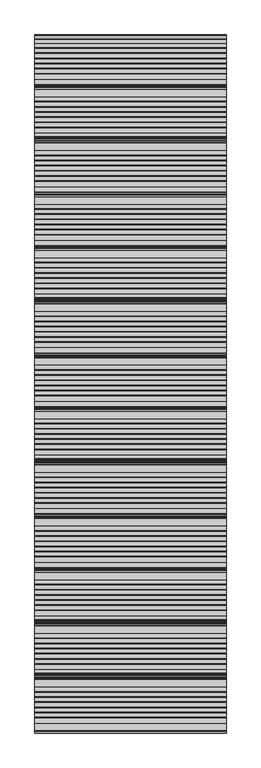
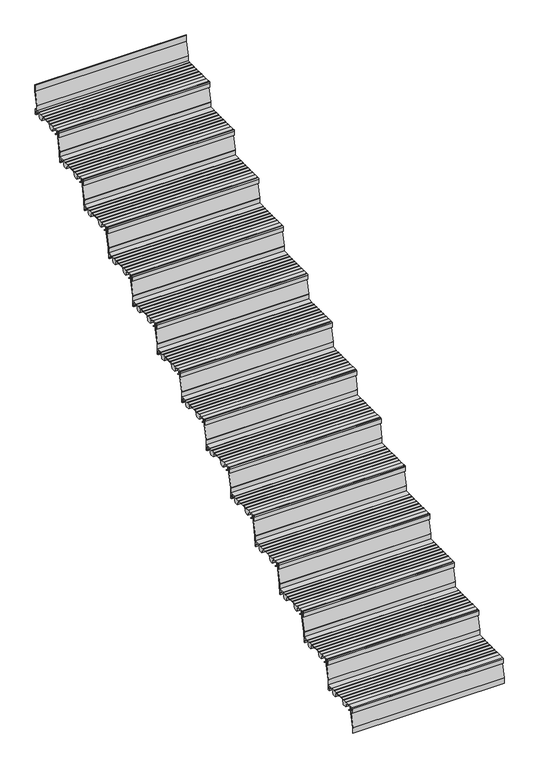
"""IFC4 building model written with IfcOpenShell, lengths in millimetres: stair flight geometry."""

from ifc_helpers import new_model, si_unit, point, frame, frame_2d, origin, place, context, project, spatial, polyline, circle_curve, trimmed, segment, composite_curve, outline, extrude, source, transform, mapped, element, save


def stair_flight_c47d7a32(model_context):
    return source(origin(), model_context, "Body", "SweptSolid", [
        extrude(outline(composite_curve([segment(polyline([(-1371.0228882, 142.2436313), (-1359.2635956, 133.0961128), (-1355.814023, 133.0885102), (-1355.8198754, 130.4330421), (-1360.1774004, 130.4426458), (-1373.4632244, 140.7776485), (-1374.1204224, 160.5772032), (-1390.9403325, 160.5401335), (-1390.9403325, 139.1885558), (-1385.0403648, 139.2015588), (-1385.0403648, 129.9429101), (-1394.2346869, 129.9429101), (-1394.2346869, 160.8235294)]), True, "CONTINUOUS"), segment(trimmed(circle_curve(frame_2d((-1389.2346869, 160.8235294)), 5.0), [point((-1394.2346869, 160.8235294))], [point((-1389.2346869, 165.8235294))], False, "CARTESIAN"), True, "CONTINUOUS"), segment(polyline([(-1389.2346869, 165.8235294), (-1354.5261336, 165.8235294), (-1354.5261336, 164.4415536), (-1324.4999776, 164.3753783), (-1324.4999776, 165.9642153), (-1322.4653981, 165.9642153), (-1322.4653981, 164.0199324), (-1297.6188218, 164.0199324), (-1297.6188218, 165.9642153), (-1295.5842423, 165.9642153), (-1295.5842423, 164.0199324), (-1270.7376659, 164.0199324), (-1270.7376659, 165.9642153), (-1268.7030864, 165.9642153), (-1268.7030864, 164.0199324), (-1243.8565101, 164.0199324), (-1243.8565101, 165.9642153), (-1241.8219306, 165.9642153), (-1241.8219306, 164.0199324), (-1216.9753543, 164.0199324), (-1216.9753543, 165.9642153), (-1214.9407747, 165.9642153), (-1214.9407747, 164.0199324), (-1190.1036061, 164.0199324), (-1190.1036061, 165.9642153), (-1188.0690266, 165.9642153), (-1188.0690266, 164.0199324), (-1163.2211524, 164.0199324), (-1163.2211524, 165.9094525), (-1124.2346869, 165.8235294), (-1124.2346869, 129.9226465), (-1133.429009, 129.9429101), (-1133.429009, 139.2015588), (-1127.5290413, 139.1885558), (-1127.5290413, 160.5401335), (-1165.7505822, 160.6243708), (-1176.4760637, 130.0377824), (-1201.3678437, 130.092642), (-1214.3617912, 161.2983621), (-1285.0325064, 161.4541148), (-1295.9566079, 130.3011082), (-1320.848388, 130.3559677), (-1333.9210866, 161.7508134), (-1354.5261336, 161.7962253), (-1354.5261336, 160.6203875), (-1371.6316085, 160.5826884), (-1371.0228882, 142.2436313)]), True, "CONTINUOUS")], self_intersect=False)), frame((-10251.8300828, 0.0, 0.0), z_axis=(1.0, 0.0, 0.0), x_axis=(0.0, 1.0, 0.0)), (0.0, 0.0, 1.0), 1000.0),
        extrude(outline(composite_curve([segment(polyline([(-1382.7293497, 165.8235294), (-1380.7290994, 165.8235294), (-1380.7290994, 124.3665797)]), True, "CONTINUOUS"), segment(trimmed(circle_curve(frame_2d((-1384.6054869, 124.2822498)), 3.8773048), [point((-1380.7290994, 124.3665797))], [point((-1380.8355039, 123.376314))], False, "CARTESIAN"), True, "CONTINUOUS"), segment(polyline([(-1380.8355039, 123.376314), (-1402.2344365, 34.3262853), (-1402.2344365, -1.6764706), (-1404.2346869, -1.6764706), (-1404.2346869, 34.0170374)]), True, "CONTINUOUS"), segment(trimmed(circle_curve(frame_2d((-1399.6463851, 34.0170374)), 4.5883018), [point((-1404.2346869, 34.0170374))], [point((-1404.1076852, 35.0890984))], False, "CARTESIAN"), True, "CONTINUOUS"), segment(polyline([(-1404.1076852, 35.0890984), (-1382.7293497, 124.0534134), (-1382.7293497, 165.8235294)]), True, "CONTINUOUS")], self_intersect=False)), frame((-10251.8300828, 0.0, 0.0), z_axis=(1.0, 0.0, 0.0), x_axis=(0.0, 1.0, 0.0)), (0.0, 0.0, 1.0), 1000.0),
        extrude(outline(composite_curve([segment(polyline([(-1102.7293497, 331.6470588), (-1100.7290994, 331.6470588), (-1100.7290994, 290.1901091)]), True, "CONTINUOUS"), segment(trimmed(circle_curve(frame_2d((-1104.6054869, 290.1057792)), 3.8773048), [point((-1100.7290994, 290.1901091))], [point((-1100.8355039, 289.1998434))], False, "CARTESIAN"), True, "CONTINUOUS"), segment(polyline([(-1100.8355039, 289.1998434), (-1122.2344365, 200.1498147), (-1122.2344365, 164.1470588), (-1124.2346869, 164.1470588), (-1124.2346869, 199.8405668)]), True, "CONTINUOUS"), segment(trimmed(circle_curve(frame_2d((-1119.6463851, 199.8405668)), 4.5883018), [point((-1124.2346869, 199.8405668))], [point((-1124.1076852, 200.9126278))], False, "CARTESIAN"), True, "CONTINUOUS"), segment(polyline([(-1124.1076852, 200.9126278), (-1102.7293497, 289.8769428), (-1102.7293497, 331.6470588)]), True, "CONTINUOUS")], self_intersect=False)), frame((-10251.8300828, 0.0, 0.0), z_axis=(1.0, 0.0, 0.0), x_axis=(0.0, 1.0, 0.0)), (0.0, 0.0, 1.0), 1000.0),
        extrude(outline(composite_curve([segment(polyline([(-1091.0228882, 308.0671607), (-1079.2635956, 298.9196422), (-1075.814023, 298.9120396), (-1075.8198754, 296.2565715), (-1080.1774004, 296.2661752), (-1093.4632244, 306.6011779), (-1094.1204224, 326.4007327), (-1110.9403325, 326.3636629), (-1110.9403325, 305.0120852), (-1105.0403648, 305.0250882), (-1105.0403648, 295.7664395), (-1114.2346869, 295.7664395), (-1114.2346869, 326.6470588)]), True, "CONTINUOUS"), segment(trimmed(circle_curve(frame_2d((-1109.2346869, 326.6470588)), 5.0), [point((-1114.2346869, 326.6470588))], [point((-1109.2346869, 331.6470588))], False, "CARTESIAN"), True, "CONTINUOUS"), segment(polyline([(-1109.2346869, 331.6470588), (-1074.5261336, 331.6470588), (-1074.5261336, 330.265083), (-1044.4999776, 330.1989077), (-1044.4999776, 331.7877447), (-1042.4653981, 331.7877447), (-1042.4653981, 329.8434618), (-1017.6188218, 329.8434618), (-1017.6188218, 331.7877447), (-1015.5842423, 331.7877447), (-1015.5842423, 329.8434618), (-990.7376659, 329.8434618), (-990.7376659, 331.7877447), (-988.7030864, 331.7877447), (-988.7030864, 329.8434618), (-963.8565101, 329.8434618), (-963.8565101, 331.7877447), (-961.8219306, 331.7877447), (-961.8219306, 329.8434618), (-936.9753543, 329.8434618), (-936.9753543, 331.7877447), (-934.9407747, 331.7877447), (-934.9407747, 329.8434618), (-910.1036061, 329.8434618), (-910.1036061, 331.7877447), (-908.0690266, 331.7877447), (-908.0690266, 329.8434618), (-883.2211524, 329.8434618), (-883.2211524, 331.7329819), (-844.2346869, 331.6470588), (-844.2346869, 295.7461759), (-853.429009, 295.7664395), (-853.429009, 305.0250882), (-847.5290413, 305.0120852), (-847.5290413, 326.3636629), (-885.7505822, 326.4479002), (-896.4760637, 295.8613118), (-921.3678437, 295.9161714), (-934.3617912, 327.1218915), (-1005.0325064, 327.2776442), (-1015.9566079, 296.1246376), (-1040.848388, 296.1794971), (-1053.9210866, 327.5743428), (-1074.5261336, 327.6197548), (-1074.5261336, 326.4439169), (-1091.6316085, 326.4062178), (-1091.0228882, 308.0671607)]), True, "CONTINUOUS")], self_intersect=False)), frame((-10251.8300828, 0.0, 0.0), z_axis=(1.0, 0.0, 0.0), x_axis=(0.0, 1.0, 0.0)), (0.0, 0.0, 1.0), 1000.0),
        extrude(outline(composite_curve([segment(polyline([(-822.7293497, 497.4705882), (-820.7290994, 497.4705882), (-820.7290994, 456.0136385)]), True, "CONTINUOUS"), segment(trimmed(circle_curve(frame_2d((-824.6054869, 455.9293087)), 3.8773048), [point((-820.7290994, 456.0136385))], [point((-820.8355039, 455.0233728))], False, "CARTESIAN"), True, "CONTINUOUS"), segment(polyline([(-820.8355039, 455.0233728), (-842.2344365, 365.9733441), (-842.2344365, 329.9705882), (-844.2346869, 329.9705882), (-844.2346869, 365.6640963)]), True, "CONTINUOUS"), segment(trimmed(circle_curve(frame_2d((-839.6463851, 365.6640963)), 4.5883018), [point((-844.2346869, 365.6640963))], [point((-844.1076852, 366.7361572))], False, "CARTESIAN"), True, "CONTINUOUS"), segment(polyline([(-844.1076852, 366.7361572), (-822.7293497, 455.7004722), (-822.7293497, 497.4705882)]), True, "CONTINUOUS")], self_intersect=False)), frame((-10251.8300828, 0.0, 0.0), z_axis=(1.0, 0.0, 0.0), x_axis=(0.0, 1.0, 0.0)), (0.0, 0.0, 1.0), 1000.0),
        extrude(outline(composite_curve([segment(polyline([(-811.0228882, 473.8906902), (-799.2635956, 464.7431716), (-795.814023, 464.735569), (-795.8198754, 462.080101), (-800.1774004, 462.0897046), (-813.4632244, 472.4247073), (-814.1204224, 492.2242621), (-830.9403325, 492.1871923), (-830.9403325, 470.8356146), (-825.0403648, 470.8486177), (-825.0403648, 461.5899689), (-834.2346869, 461.5899689), (-834.2346869, 492.4705882)]), True, "CONTINUOUS"), segment(trimmed(circle_curve(frame_2d((-829.2346869, 492.4705882)), 5.0), [point((-834.2346869, 492.4705882))], [point((-829.2346869, 497.4705882))], False, "CARTESIAN"), True, "CONTINUOUS"), segment(polyline([(-829.2346869, 497.4705882), (-794.5261336, 497.4705882), (-794.5261336, 496.0886124), (-764.4999776, 496.0224371), (-764.4999776, 497.6112741), (-762.4653981, 497.6112741), (-762.4653981, 495.6669912), (-737.6188218, 495.6669912), (-737.6188218, 497.6112741), (-735.5842423, 497.6112741), (-735.5842423, 495.6669912), (-710.7376659, 495.6669912), (-710.7376659, 497.6112741), (-708.7030864, 497.6112741), (-708.7030864, 495.6669912), (-683.8565101, 495.6669912), (-683.8565101, 497.6112741), (-681.8219306, 497.6112741), (-681.8219306, 495.6669912), (-656.9753543, 495.6669912), (-656.9753543, 497.6112741), (-654.9407747, 497.6112741), (-654.9407747, 495.6669912), (-630.1036061, 495.6669912), (-630.1036061, 497.6112741), (-628.0690266, 497.6112741), (-628.0690266, 495.6669912), (-603.2211524, 495.6669912), (-603.2211524, 497.5565113), (-564.2346869, 497.4705882), (-564.2346869, 461.5697053), (-573.429009, 461.5899689), (-573.429009, 470.8486177), (-567.5290413, 470.8356146), (-567.5290413, 492.1871923), (-605.7505822, 492.2714296), (-616.4760637, 461.6848412), (-641.3678437, 461.7397008), (-654.3617912, 492.9454209), (-725.0325064, 493.1011736), (-735.9566079, 461.948167), (-760.848388, 462.0030265), (-773.9210866, 493.3978723), (-794.5261336, 493.4432842), (-794.5261336, 492.2674463), (-811.6316085, 492.2297472), (-811.0228882, 473.8906902)]), True, "CONTINUOUS")], self_intersect=False)), frame((-10251.8300828, 0.0, 0.0), z_axis=(1.0, 0.0, 0.0), x_axis=(0.0, 1.0, 0.0)), (0.0, 0.0, 1.0), 1000.0),
        extrude(outline(composite_curve([segment(polyline([(-542.7293497, 663.2941176), (-540.7290994, 663.2941176), (-540.7290994, 621.8371679)]), True, "CONTINUOUS"), segment(trimmed(circle_curve(frame_2d((-544.6054869, 621.7528381)), 3.8773048), [point((-540.7290994, 621.8371679))], [point((-540.8355039, 620.8469022))], False, "CARTESIAN"), True, "CONTINUOUS"), segment(polyline([(-540.8355039, 620.8469022), (-562.2344365, 531.7968735), (-562.2344365, 495.7941176), (-564.2346869, 495.7941176), (-564.2346869, 531.4876257)]), True, "CONTINUOUS"), segment(trimmed(circle_curve(frame_2d((-559.6463851, 531.4876257)), 4.5883018), [point((-564.2346869, 531.4876257))], [point((-564.1076852, 532.5596866))], False, "CARTESIAN"), True, "CONTINUOUS"), segment(polyline([(-564.1076852, 532.5596866), (-542.7293497, 621.5240017), (-542.7293497, 663.2941176)]), True, "CONTINUOUS")], self_intersect=False)), frame((-10251.8300828, 0.0, 0.0), z_axis=(1.0, 0.0, 0.0), x_axis=(0.0, 1.0, 0.0)), (0.0, 0.0, 1.0), 1000.0),
        extrude(outline(composite_curve([segment(polyline([(-531.0228882, 639.7142196), (-519.2635956, 630.566701), (-515.814023, 630.5590984), (-515.8198754, 627.9036304), (-520.1774004, 627.913234), (-533.4632244, 638.2482367), (-534.1204224, 658.0477915), (-550.9403325, 658.0107217), (-550.9403325, 636.659144), (-545.0403648, 636.6721471), (-545.0403648, 627.4134983), (-554.2346869, 627.4134983), (-554.2346869, 658.2941176)]), True, "CONTINUOUS"), segment(trimmed(circle_curve(frame_2d((-549.2346869, 658.2941176)), 5.0), [point((-554.2346869, 658.2941176))], [point((-549.2346869, 663.2941176))], False, "CARTESIAN"), True, "CONTINUOUS"), segment(polyline([(-549.2346869, 663.2941176), (-514.5261336, 663.2941176), (-514.5261336, 661.9121418), (-484.4999776, 661.8459665), (-484.4999776, 663.4348035), (-482.4653981, 663.4348035), (-482.4653981, 661.4905206), (-457.6188218, 661.4905206), (-457.6188218, 663.4348035), (-455.5842423, 663.4348035), (-455.5842423, 661.4905206), (-430.7376659, 661.4905206), (-430.7376659, 663.4348035), (-428.7030864, 663.4348035), (-428.7030864, 661.4905206), (-403.8565101, 661.4905206), (-403.8565101, 663.4348035), (-401.8219306, 663.4348035), (-401.8219306, 661.4905206), (-376.9753543, 661.4905206), (-376.9753543, 663.4348035), (-374.9407747, 663.4348035), (-374.9407747, 661.4905206), (-350.1036061, 661.4905206), (-350.1036061, 663.4348035), (-348.0690266, 663.4348035), (-348.0690266, 661.4905206), (-323.2211524, 661.4905206), (-323.2211524, 663.3800408), (-284.2346869, 663.2941176), (-284.2346869, 627.3932348), (-293.429009, 627.4134983), (-293.429009, 636.6721471), (-287.5290413, 636.659144), (-287.5290413, 658.0107217), (-325.7505822, 658.094959), (-336.4760637, 627.5083707), (-361.3678437, 627.5632302), (-374.3617912, 658.7689503), (-445.0325064, 658.9247031), (-455.9566079, 627.7716964), (-480.848388, 627.8265559), (-493.9210866, 659.2214017), (-514.5261336, 659.2668136), (-514.5261336, 658.0909758), (-531.6316085, 658.0532766), (-531.0228882, 639.7142196)]), True, "CONTINUOUS")], self_intersect=False)), frame((-10251.8300828, 0.0, 0.0), z_axis=(1.0, 0.0, 0.0), x_axis=(0.0, 1.0, 0.0)), (0.0, 0.0, 1.0), 1000.0),
        extrude(outline(composite_curve([segment(polyline([(-262.7293497, 829.1176471), (-260.7290994, 829.1176471), (-260.7290994, 787.6606973)]), True, "CONTINUOUS"), segment(trimmed(circle_curve(frame_2d((-264.6054869, 787.5763675)), 3.8773048), [point((-260.7290994, 787.6606973))], [point((-260.8355039, 786.6704316))], False, "CARTESIAN"), True, "CONTINUOUS"), segment(polyline([(-260.8355039, 786.6704316), (-282.2344365, 697.620403), (-282.2344365, 661.6176471), (-284.2346869, 661.6176471), (-284.2346869, 697.3111551)]), True, "CONTINUOUS"), segment(trimmed(circle_curve(frame_2d((-279.6463851, 697.3111551)), 4.5883018), [point((-284.2346869, 697.3111551))], [point((-284.1076852, 698.3832161))], False, "CARTESIAN"), True, "CONTINUOUS"), segment(polyline([(-284.1076852, 698.3832161), (-262.7293497, 787.3475311), (-262.7293497, 829.1176471)]), True, "CONTINUOUS")], self_intersect=False)), frame((-10251.8300828, 0.0, 0.0), z_axis=(1.0, 0.0, 0.0), x_axis=(0.0, 1.0, 0.0)), (0.0, 0.0, 1.0), 1000.0),
        extrude(outline(composite_curve([segment(polyline([(-251.0228882, 805.537749), (-239.2635956, 796.3902304), (-235.814023, 796.3826279), (-235.8198754, 793.7271598), (-240.1774004, 793.7367634), (-253.4632244, 804.0717661), (-254.1204224, 823.8713209), (-270.9403325, 823.8342511), (-270.9403325, 802.4826734), (-265.0403648, 802.4956765), (-265.0403648, 793.2370277), (-274.2346869, 793.2370277), (-274.2346869, 824.1176471)]), True, "CONTINUOUS"), segment(trimmed(circle_curve(frame_2d((-269.2346869, 824.1176471)), 5.0), [point((-274.2346869, 824.1176471))], [point((-269.2346869, 829.1176471))], False, "CARTESIAN"), True, "CONTINUOUS"), segment(polyline([(-269.2346869, 829.1176471), (-234.5261336, 829.1176471), (-234.5261336, 827.7356712), (-204.4999776, 827.6694959), (-204.4999776, 829.2583329), (-202.4653981, 829.2583329), (-202.4653981, 827.31405), (-177.6188218, 827.31405), (-177.6188218, 829.2583329), (-175.5842423, 829.2583329), (-175.5842423, 827.31405), (-150.7376659, 827.31405), (-150.7376659, 829.2583329), (-148.7030864, 829.2583329), (-148.7030864, 827.31405), (-123.8565101, 827.31405), (-123.8565101, 829.2583329), (-121.8219306, 829.2583329), (-121.8219306, 827.31405), (-96.9753543, 827.31405), (-96.9753543, 829.2583329), (-94.9407747, 829.2583329), (-94.9407747, 827.31405), (-70.1036061, 827.31405), (-70.1036061, 829.2583329), (-68.0690266, 829.2583329), (-68.0690266, 827.31405), (-43.2211524, 827.31405), (-43.2211524, 829.2035702), (-4.2346869, 829.1176471), (-4.2346869, 793.2167642), (-13.429009, 793.2370277), (-13.429009, 802.4956765), (-7.5290413, 802.4826734), (-7.5290413, 823.8342511), (-45.7505822, 823.9184884), (-56.4760637, 793.3319001), (-81.3678437, 793.3867596), (-94.3617912, 824.5924798), (-165.0325064, 824.7482325), (-175.9566079, 793.5952258), (-200.848388, 793.6500854), (-213.9210866, 825.0449311), (-234.5261336, 825.090343), (-234.5261336, 823.9145052), (-251.6316085, 823.876806), (-251.0228882, 805.537749)]), True, "CONTINUOUS")], self_intersect=False)), frame((-10251.8300828, 0.0, 0.0), z_axis=(1.0, 0.0, 0.0), x_axis=(0.0, 1.0, 0.0)), (0.0, 0.0, 1.0), 1000.0),
        extrude(outline(composite_curve([segment(polyline([(17.2706503, 994.9411765), (19.2709006, 994.9411765), (19.2709006, 953.4842267)]), True, "CONTINUOUS"), segment(trimmed(circle_curve(frame_2d((15.3945131, 953.3998969)), 3.8773048), [point((19.2709006, 953.4842267))], [point((19.1644961, 952.493961))], False, "CARTESIAN"), True, "CONTINUOUS"), segment(polyline([(19.1644961, 952.493961), (-2.2344365, 863.4439324), (-2.2344365, 827.4411765), (-4.2346869, 827.4411765), (-4.2346869, 863.1346845)]), True, "CONTINUOUS"), segment(trimmed(circle_curve(frame_2d((0.3536149, 863.1346845)), 4.5883018), [point((-4.2346869, 863.1346845))], [point((-4.1076852, 864.2067455))], False, "CARTESIAN"), True, "CONTINUOUS"), segment(polyline([(-4.1076852, 864.2067455), (17.2706503, 953.1710605), (17.2706503, 994.9411765)]), True, "CONTINUOUS")], self_intersect=False)), frame((-10251.8300828, 0.0, 0.0), z_axis=(1.0, 0.0, 0.0), x_axis=(0.0, 1.0, 0.0)), (0.0, 0.0, 1.0), 1000.0),
        extrude(outline(composite_curve([segment(polyline([(28.9771118, 971.3612784), (40.7364044, 962.2137599), (44.185977, 962.2061573), (44.1801246, 959.5506892), (39.8225996, 959.5602928), (26.5367756, 969.8952956), (25.8795776, 989.6948503), (9.0596675, 989.6577805), (9.0596675, 968.3062028), (14.9596352, 968.3192059), (14.9596352, 959.0605571), (5.7653131, 959.0605571), (5.7653131, 989.9411765)]), True, "CONTINUOUS"), segment(trimmed(circle_curve(frame_2d((10.7653131, 989.9411765)), 5.0), [point((5.7653131, 989.9411765))], [point((10.7653131, 994.9411765))], False, "CARTESIAN"), True, "CONTINUOUS"), segment(polyline([(10.7653131, 994.9411765), (45.4738664, 994.9411765), (45.4738664, 993.5592006), (75.5000224, 993.4930253), (75.5000224, 995.0818624), (77.5346019, 995.0818624), (77.5346019, 993.1375794), (102.3811782, 993.1375794), (102.3811782, 995.0818624), (104.4157577, 995.0818624), (104.4157577, 993.1375794), (129.2623341, 993.1375794), (129.2623341, 995.0818624), (131.2969136, 995.0818624), (131.2969136, 993.1375794), (156.1434899, 993.1375794), (156.1434899, 995.0818624), (158.1780694, 995.0818624), (158.1780694, 993.1375794), (183.0246457, 993.1375794), (183.0246457, 995.0818624), (185.0592253, 995.0818624), (185.0592253, 993.1375794), (209.8963939, 993.1375794), (209.8963939, 995.0818624), (211.9309734, 995.0818624), (211.9309734, 993.1375794), (236.7788476, 993.1375794), (236.7788476, 995.0270996), (275.7653131, 994.9411765), (275.7653131, 959.0402936), (266.570991, 959.0605571), (266.570991, 968.3192059), (272.4709587, 968.3062028), (272.4709587, 989.6577805), (234.2494178, 989.7420178), (223.5239363, 959.1554295), (198.6321563, 959.210289), (185.6382088, 990.4160092), (114.9674936, 990.5717619), (104.0433921, 959.4187552), (79.151612, 959.4736148), (66.0789134, 990.8684605), (45.4738664, 990.9138724), (45.4738664, 989.7380346), (28.3683915, 989.7003355), (28.9771118, 971.3612784)]), True, "CONTINUOUS")], self_intersect=False)), frame((-10251.8300828, 0.0, 0.0), z_axis=(1.0, 0.0, 0.0), x_axis=(0.0, 1.0, 0.0)), (0.0, 0.0, 1.0), 1000.0),
        extrude(outline(composite_curve([segment(polyline([(297.2706503, 1160.7647059), (299.2709006, 1160.7647059), (299.2709006, 1119.3077562)]), True, "CONTINUOUS"), segment(trimmed(circle_curve(frame_2d((295.3945131, 1119.2234263)), 3.8773048), [point((299.2709006, 1119.3077562))], [point((299.1644961, 1118.3174904))], False, "CARTESIAN"), True, "CONTINUOUS"), segment(polyline([(299.1644961, 1118.3174904), (277.7655635, 1029.2674618), (277.7655635, 993.2647059), (275.7653131, 993.2647059), (275.7653131, 1028.9582139)]), True, "CONTINUOUS"), segment(trimmed(circle_curve(frame_2d((280.3536149, 1028.9582139)), 4.5883018), [point((275.7653131, 1028.9582139))], [point((275.8923148, 1030.0302749))], False, "CARTESIAN"), True, "CONTINUOUS"), segment(polyline([(275.8923148, 1030.0302749), (297.2706503, 1118.9945899), (297.2706503, 1160.7647059)]), True, "CONTINUOUS")], self_intersect=False)), frame((-10251.8300828, 0.0, 0.0), z_axis=(1.0, 0.0, 0.0), x_axis=(0.0, 1.0, 0.0)), (0.0, 0.0, 1.0), 1000.0),
        extrude(outline(composite_curve([segment(polyline([(308.9771118, 1137.1848078), (320.7364044, 1128.0372893), (324.185977, 1128.0296867), (324.1801246, 1125.3742186), (319.8225996, 1125.3838222), (306.5367756, 1135.718825), (305.8795776, 1155.5183797), (289.0596675, 1155.48131), (289.0596675, 1134.1297322), (294.9596352, 1134.1427353), (294.9596352, 1124.8840866), (285.7653131, 1124.8840866), (285.7653131, 1155.7647059)]), True, "CONTINUOUS"), segment(trimmed(circle_curve(frame_2d((290.7653131, 1155.7647059)), 5.0), [point((285.7653131, 1155.7647059))], [point((290.7653131, 1160.7647059))], False, "CARTESIAN"), True, "CONTINUOUS"), segment(polyline([(290.7653131, 1160.7647059), (325.4738664, 1160.7647059), (325.4738664, 1159.38273), (355.5000224, 1159.3165547), (355.5000224, 1160.9053918), (357.5346019, 1160.9053918), (357.5346019, 1158.9611088), (382.3811782, 1158.9611088), (382.3811782, 1160.9053918), (384.4157577, 1160.9053918), (384.4157577, 1158.9611088), (409.2623341, 1158.9611088), (409.2623341, 1160.9053918), (411.2969136, 1160.9053918), (411.2969136, 1158.9611088), (436.1434899, 1158.9611088), (436.1434899, 1160.9053918), (438.1780694, 1160.9053918), (438.1780694, 1158.9611088), (463.0246457, 1158.9611088), (463.0246457, 1160.9053918), (465.0592253, 1160.9053918), (465.0592253, 1158.9611088), (489.8963939, 1158.9611088), (489.8963939, 1160.9053918), (491.9309734, 1160.9053918), (491.9309734, 1158.9611088), (516.7788476, 1158.9611088), (516.7788476, 1160.850629), (555.7653131, 1160.7647059), (555.7653131, 1124.863823), (546.570991, 1124.8840866), (546.570991, 1134.1427353), (552.4709587, 1134.1297322), (552.4709587, 1155.48131), (514.2494178, 1155.5655472), (503.5239363, 1124.9789589), (478.6321563, 1125.0338184), (465.6382088, 1156.2395386), (394.9674936, 1156.3952913), (384.0433921, 1125.2422846), (359.151612, 1125.2971442), (346.0789134, 1156.6919899), (325.4738664, 1156.7374018), (325.4738664, 1155.561564), (308.3683915, 1155.5238649), (308.9771118, 1137.1848078)]), True, "CONTINUOUS")], self_intersect=False)), frame((-10251.8300828, 0.0, 0.0), z_axis=(1.0, 0.0, 0.0), x_axis=(0.0, 1.0, 0.0)), (0.0, 0.0, 1.0), 1000.0),
        extrude(outline(composite_curve([segment(polyline([(577.2706503, 1326.5882353), (579.2709006, 1326.5882353), (579.2709006, 1285.1312856)]), True, "CONTINUOUS"), segment(trimmed(circle_curve(frame_2d((575.3945131, 1285.0469557)), 3.8773048), [point((579.2709006, 1285.1312856))], [point((579.1644961, 1284.1410199))], False, "CARTESIAN"), True, "CONTINUOUS"), segment(polyline([(579.1644961, 1284.1410199), (557.7655635, 1195.0909912), (557.7655635, 1159.0882353), (555.7653131, 1159.0882353), (555.7653131, 1194.7817433)]), True, "CONTINUOUS"), segment(trimmed(circle_curve(frame_2d((560.3536149, 1194.7817433)), 4.5883018), [point((555.7653131, 1194.7817433))], [point((555.8923148, 1195.8538043))], False, "CARTESIAN"), True, "CONTINUOUS"), segment(polyline([(555.8923148, 1195.8538043), (577.2706503, 1284.8181193), (577.2706503, 1326.5882353)]), True, "CONTINUOUS")], self_intersect=False)), frame((-10251.8300828, 0.0, 0.0), z_axis=(1.0, 0.0, 0.0), x_axis=(0.0, 1.0, 0.0)), (0.0, 0.0, 1.0), 1000.0),
        extrude(outline(composite_curve([segment(polyline([(588.9771118, 1303.0083372), (600.7364044, 1293.8608187), (604.185977, 1293.8532161), (604.1801246, 1291.197748), (599.8225996, 1291.2073517), (586.5367756, 1301.5423544), (585.8795776, 1321.3419091), (569.0596675, 1321.3048394), (569.0596675, 1299.9532616), (574.9596352, 1299.9662647), (574.9596352, 1290.707616), (565.7653131, 1290.707616), (565.7653131, 1321.5882353)]), True, "CONTINUOUS"), segment(trimmed(circle_curve(frame_2d((570.7653131, 1321.5882353)), 5.0), [point((565.7653131, 1321.5882353))], [point((570.7653131, 1326.5882353))], False, "CARTESIAN"), True, "CONTINUOUS"), segment(polyline([(570.7653131, 1326.5882353), (605.4738664, 1326.5882353), (605.4738664, 1325.2062594), (635.5000224, 1325.1400841), (635.5000224, 1326.7289212), (637.5346019, 1326.7289212), (637.5346019, 1324.7846383), (662.3811782, 1324.7846383), (662.3811782, 1326.7289212), (664.4157577, 1326.7289212), (664.4157577, 1324.7846383), (689.2623341, 1324.7846383), (689.2623341, 1326.7289212), (691.2969136, 1326.7289212), (691.2969136, 1324.7846383), (716.1434899, 1324.7846383), (716.1434899, 1326.7289212), (718.1780694, 1326.7289212), (718.1780694, 1324.7846383), (743.0246457, 1324.7846383), (743.0246457, 1326.7289212), (745.0592253, 1326.7289212), (745.0592253, 1324.7846383), (769.8963939, 1324.7846383), (769.8963939, 1326.7289212), (771.9309734, 1326.7289212), (771.9309734, 1324.7846383), (796.7788476, 1324.7846383), (796.7788476, 1326.6741584), (835.7653131, 1326.5882353), (835.7653131, 1290.6873524), (826.570991, 1290.707616), (826.570991, 1299.9662647), (832.4709587, 1299.9532616), (832.4709587, 1321.3048394), (794.2494178, 1321.3890766), (783.5239363, 1290.8024883), (758.6321563, 1290.8573478), (745.6382088, 1322.063068), (674.9674936, 1322.2188207), (664.0433921, 1291.0658141), (639.151612, 1291.1206736), (626.0789134, 1322.5155193), (605.4738664, 1322.5609312), (605.4738664, 1321.3850934), (588.3683915, 1321.3473943), (588.9771118, 1303.0083372)]), True, "CONTINUOUS")], self_intersect=False)), frame((-10251.8300828, 0.0, 0.0), z_axis=(1.0, 0.0, 0.0), x_axis=(0.0, 1.0, 0.0)), (0.0, 0.0, 1.0), 1000.0),
        extrude(outline(composite_curve([segment(polyline([(857.2706503, 1492.4117647), (859.2709006, 1492.4117647), (859.2709006, 1450.954815)]), True, "CONTINUOUS"), segment(trimmed(circle_curve(frame_2d((855.3945131, 1450.8704851)), 3.8773048), [point((859.2709006, 1450.954815))], [point((859.1644961, 1449.9645493))], False, "CARTESIAN"), True, "CONTINUOUS"), segment(polyline([(859.1644961, 1449.9645493), (837.7655635, 1360.9145206), (837.7655635, 1324.9117647), (835.7653131, 1324.9117647), (835.7653131, 1360.6052727)]), True, "CONTINUOUS"), segment(trimmed(circle_curve(frame_2d((840.3536149, 1360.6052727)), 4.5883018), [point((835.7653131, 1360.6052727))], [point((835.8923148, 1361.6773337))], False, "CARTESIAN"), True, "CONTINUOUS"), segment(polyline([(835.8923148, 1361.6773337), (857.2706503, 1450.6416487), (857.2706503, 1492.4117647)]), True, "CONTINUOUS")], self_intersect=False)), frame((-10251.8300828, 0.0, 0.0), z_axis=(1.0, 0.0, 0.0), x_axis=(0.0, 1.0, 0.0)), (0.0, 0.0, 1.0), 1000.0),
        extrude(outline(composite_curve([segment(polyline([(868.9771118, 1468.8318666), (880.7364044, 1459.6843481), (884.185977, 1459.6767455), (884.1801246, 1457.0212774), (879.8225996, 1457.0308811), (866.5367756, 1467.3658838), (865.8795776, 1487.1654385), (849.0596675, 1487.1283688), (849.0596675, 1465.7767911), (854.9596352, 1465.7897941), (854.9596352, 1456.5311454), (845.7653131, 1456.5311454), (845.7653131, 1487.4117647)]), True, "CONTINUOUS"), segment(trimmed(circle_curve(frame_2d((850.7653131, 1487.4117647)), 5.0), [point((845.7653131, 1487.4117647))], [point((850.7653131, 1492.4117647))], False, "CARTESIAN"), True, "CONTINUOUS"), segment(polyline([(850.7653131, 1492.4117647), (885.4738664, 1492.4117647), (885.4738664, 1491.0297889), (915.5000224, 1490.9636136), (915.5000224, 1492.5524506), (917.5346019, 1492.5524506), (917.5346019, 1490.6081677), (942.3811782, 1490.6081677), (942.3811782, 1492.5524506), (944.4157577, 1492.5524506), (944.4157577, 1490.6081677), (969.2623341, 1490.6081677), (969.2623341, 1492.5524506), (971.2969136, 1492.5524506), (971.2969136, 1490.6081677), (996.1434899, 1490.6081677), (996.1434899, 1492.5524506), (998.1780694, 1492.5524506), (998.1780694, 1490.6081677), (1023.0246457, 1490.6081677), (1023.0246457, 1492.5524506), (1025.0592253, 1492.5524506), (1025.0592253, 1490.6081677), (1049.8963939, 1490.6081677), (1049.8963939, 1492.5524506), (1051.9309734, 1492.5524506), (1051.9309734, 1490.6081677), (1076.7788476, 1490.6081677), (1076.7788476, 1492.4976878), (1115.7653131, 1492.4117647), (1115.7653131, 1456.5108818), (1106.570991, 1456.5311454), (1106.570991, 1465.7897941), (1112.4709587, 1465.7767911), (1112.4709587, 1487.1283688), (1074.2494178, 1487.2126061), (1063.5239363, 1456.6260177), (1038.6321563, 1456.6808772), (1025.6382088, 1487.8865974), (954.9674936, 1488.0423501), (944.0433921, 1456.8893435), (919.151612, 1456.944203), (906.0789134, 1488.3390487), (885.4738664, 1488.3844606), (885.4738664, 1487.2086228), (868.3683915, 1487.1709237), (868.9771118, 1468.8318666)]), True, "CONTINUOUS")], self_intersect=False)), frame((-10251.8300828, 0.0, 0.0), z_axis=(1.0, 0.0, 0.0), x_axis=(0.0, 1.0, 0.0)), (0.0, 0.0, 1.0), 1000.0),
        extrude(outline(composite_curve([segment(polyline([(1137.2706503, 1658.2352941), (1139.2709006, 1658.2352941), (1139.2709006, 1616.7783444)]), True, "CONTINUOUS"), segment(trimmed(circle_curve(frame_2d((1135.3945131, 1616.6940145)), 3.8773048), [point((1139.2709006, 1616.7783444))], [point((1139.1644961, 1615.7880787))], False, "CARTESIAN"), True, "CONTINUOUS"), segment(polyline([(1139.1644961, 1615.7880787), (1117.7655635, 1526.73805), (1117.7655635, 1490.7352941), (1115.7653131, 1490.7352941), (1115.7653131, 1526.4288021)]), True, "CONTINUOUS"), segment(trimmed(circle_curve(frame_2d((1120.3536149, 1526.4288021)), 4.5883018), [point((1115.7653131, 1526.4288021))], [point((1115.8923148, 1527.5008631))], False, "CARTESIAN"), True, "CONTINUOUS"), segment(polyline([(1115.8923148, 1527.5008631), (1137.2706503, 1616.4651781), (1137.2706503, 1658.2352941)]), True, "CONTINUOUS")], self_intersect=False)), frame((-10251.8300828, 0.0, 0.0), z_axis=(1.0, 0.0, 0.0), x_axis=(0.0, 1.0, 0.0)), (0.0, 0.0, 1.0), 1000.0),
        extrude(outline(composite_curve([segment(polyline([(1148.9771118, 1634.655396), (1160.7364044, 1625.5078775), (1164.185977, 1625.5002749), (1164.1801246, 1622.8448068), (1159.8225996, 1622.8544105), (1146.5367756, 1633.1894132), (1145.8795776, 1652.988968), (1129.0596675, 1652.9518982), (1129.0596675, 1631.6003205), (1134.9596352, 1631.6133235), (1134.9596352, 1622.3546748), (1125.7653131, 1622.3546748), (1125.7653131, 1653.2352941)]), True, "CONTINUOUS"), segment(trimmed(circle_curve(frame_2d((1130.7653131, 1653.2352941)), 5.0), [point((1125.7653131, 1653.2352941))], [point((1130.7653131, 1658.2352941))], False, "CARTESIAN"), True, "CONTINUOUS"), segment(polyline([(1130.7653131, 1658.2352941), (1165.4738664, 1658.2352941), (1165.4738664, 1656.8533183), (1195.5000224, 1656.787143), (1195.5000224, 1658.37598), (1197.5346019, 1658.37598), (1197.5346019, 1656.4316971), (1222.3811782, 1656.4316971), (1222.3811782, 1658.37598), (1224.4157577, 1658.37598), (1224.4157577, 1656.4316971), (1249.2623341, 1656.4316971), (1249.2623341, 1658.37598), (1251.2969136, 1658.37598), (1251.2969136, 1656.4316971), (1276.1434899, 1656.4316971), (1276.1434899, 1658.37598), (1278.1780694, 1658.37598), (1278.1780694, 1656.4316971), (1303.0246457, 1656.4316971), (1303.0246457, 1658.37598), (1305.0592253, 1658.37598), (1305.0592253, 1656.4316971), (1329.8963939, 1656.4316971), (1329.8963939, 1658.37598), (1331.9309734, 1658.37598), (1331.9309734, 1656.4316971), (1356.7788476, 1656.4316971), (1356.7788476, 1658.3212172), (1395.7653131, 1658.2352941), (1395.7653131, 1622.3344112), (1386.570991, 1622.3546748), (1386.570991, 1631.6133235), (1392.4709587, 1631.6003205), (1392.4709587, 1652.9518982), (1354.2494178, 1653.0361355), (1343.5239363, 1622.4495471), (1318.6321563, 1622.5044067), (1305.6382088, 1653.7101268), (1234.9674936, 1653.8658795), (1224.0433921, 1622.7128729), (1199.151612, 1622.7677324), (1186.0789134, 1654.1625781), (1165.4738664, 1654.2079901), (1165.4738664, 1653.0321522), (1148.3683915, 1652.9944531), (1148.9771118, 1634.655396)]), True, "CONTINUOUS")], self_intersect=False)), frame((-10251.8300828, 0.0, 0.0), z_axis=(1.0, 0.0, 0.0), x_axis=(0.0, 1.0, 0.0)), (0.0, 0.0, 1.0), 1000.0),
        extrude(outline(composite_curve([segment(polyline([(1417.2706503, 1824.0588235), (1419.2709006, 1824.0588235), (1419.2709006, 1782.6018738)]), True, "CONTINUOUS"), segment(trimmed(circle_curve(frame_2d((1415.3945131, 1782.5175439)), 3.8773048), [point((1419.2709006, 1782.6018738))], [point((1419.1644961, 1781.6116081))], False, "CARTESIAN"), True, "CONTINUOUS"), segment(polyline([(1419.1644961, 1781.6116081), (1397.7655635, 1692.5615794), (1397.7655635, 1656.5588235), (1395.7653131, 1656.5588235), (1395.7653131, 1692.2523315)]), True, "CONTINUOUS"), segment(trimmed(circle_curve(frame_2d((1400.3536149, 1692.2523315)), 4.5883018), [point((1395.7653131, 1692.2523315))], [point((1395.8923148, 1693.3243925))], False, "CARTESIAN"), True, "CONTINUOUS"), segment(polyline([(1395.8923148, 1693.3243925), (1417.2706503, 1782.2887075), (1417.2706503, 1824.0588235)]), True, "CONTINUOUS")], self_intersect=False)), frame((-10251.8300828, 0.0, 0.0), z_axis=(1.0, 0.0, 0.0), x_axis=(0.0, 1.0, 0.0)), (0.0, 0.0, 1.0), 1000.0),
        extrude(outline(composite_curve([segment(polyline([(1428.9771118, 1800.4789255), (1440.7364044, 1791.3314069), (1444.185977, 1791.3238043), (1444.1801246, 1788.6683362), (1439.8225996, 1788.6779399), (1426.5367756, 1799.0129426), (1425.8795776, 1818.8124974), (1409.0596675, 1818.7754276), (1409.0596675, 1797.4238499), (1414.9596352, 1797.436853), (1414.9596352, 1788.1782042), (1405.7653131, 1788.1782042), (1405.7653131, 1819.0588235)]), True, "CONTINUOUS"), segment(trimmed(circle_curve(frame_2d((1410.7653131, 1819.0588235)), 5.0), [point((1405.7653131, 1819.0588235))], [point((1410.7653131, 1824.0588235))], False, "CARTESIAN"), True, "CONTINUOUS"), segment(polyline([(1410.7653131, 1824.0588235), (1445.4738664, 1824.0588235), (1445.4738664, 1822.6768477), (1475.5000224, 1822.6106724), (1475.5000224, 1824.1995094), (1477.5346019, 1824.1995094), (1477.5346019, 1822.2552265), (1502.3811782, 1822.2552265), (1502.3811782, 1824.1995094), (1504.4157577, 1824.1995094), (1504.4157577, 1822.2552265), (1529.2623341, 1822.2552265), (1529.2623341, 1824.1995094), (1531.2969136, 1824.1995094), (1531.2969136, 1822.2552265), (1556.1434899, 1822.2552265), (1556.1434899, 1824.1995094), (1558.1780694, 1824.1995094), (1558.1780694, 1822.2552265), (1583.0246457, 1822.2552265), (1583.0246457, 1824.1995094), (1585.0592253, 1824.1995094), (1585.0592253, 1822.2552265), (1609.8963939, 1822.2552265), (1609.8963939, 1824.1995094), (1611.9309734, 1824.1995094), (1611.9309734, 1822.2552265), (1636.7788476, 1822.2552265), (1636.7788476, 1824.1447466), (1675.7653131, 1824.0588235), (1675.7653131, 1788.1579406), (1666.570991, 1788.1782042), (1666.570991, 1797.436853), (1672.4709587, 1797.4238499), (1672.4709587, 1818.7754276), (1634.2494178, 1818.8596649), (1623.5239363, 1788.2730765), (1598.6321563, 1788.3279361), (1585.6382088, 1819.5336562), (1514.9674936, 1819.6894089), (1504.0433921, 1788.5364023), (1479.151612, 1788.5912618), (1466.0789134, 1819.9861076), (1445.4738664, 1820.0315195), (1445.4738664, 1818.8556816), (1428.3683915, 1818.8179825), (1428.9771118, 1800.4789255)]), True, "CONTINUOUS")], self_intersect=False)), frame((-10251.8300828, 0.0, 0.0), z_axis=(1.0, 0.0, 0.0), x_axis=(0.0, 1.0, 0.0)), (0.0, 0.0, 1.0), 1000.0),
        extrude(outline(composite_curve([segment(polyline([(1697.2706503, 1989.8823529), (1699.2709006, 1989.8823529), (1699.2709006, 1948.4254032)]), True, "CONTINUOUS"), segment(trimmed(circle_curve(frame_2d((1695.3945131, 1948.3410734)), 3.8773048), [point((1699.2709006, 1948.4254032))], [point((1699.1644961, 1947.4351375))], False, "CARTESIAN"), True, "CONTINUOUS"), segment(polyline([(1699.1644961, 1947.4351375), (1677.7655635, 1858.3851088), (1677.7655635, 1822.3823529), (1675.7653131, 1822.3823529), (1675.7653131, 1858.075861)]), True, "CONTINUOUS"), segment(trimmed(circle_curve(frame_2d((1680.3536149, 1858.075861)), 4.5883018), [point((1675.7653131, 1858.075861))], [point((1675.8923148, 1859.1479219))], False, "CARTESIAN"), True, "CONTINUOUS"), segment(polyline([(1675.8923148, 1859.1479219), (1697.2706503, 1948.112237), (1697.2706503, 1989.8823529)]), True, "CONTINUOUS")], self_intersect=False)), frame((-10251.8300828, 0.0, 0.0), z_axis=(1.0, 0.0, 0.0), x_axis=(0.0, 1.0, 0.0)), (0.0, 0.0, 1.0), 1000.0),
        extrude(outline(composite_curve([segment(polyline([(1708.9771118, 1966.3024549), (1720.7364044, 1957.1549363), (1724.185977, 1957.1473337), (1724.1801246, 1954.4918657), (1719.8225996, 1954.5014693), (1706.5367756, 1964.836472), (1705.8795776, 1984.6360268), (1689.0596675, 1984.598957), (1689.0596675, 1963.2473793), (1694.9596352, 1963.2603824), (1694.9596352, 1954.0017336), (1685.7653131, 1954.0017336), (1685.7653131, 1984.8823529)]), True, "CONTINUOUS"), segment(trimmed(circle_curve(frame_2d((1690.7653131, 1984.8823529)), 5.0), [point((1685.7653131, 1984.8823529))], [point((1690.7653131, 1989.8823529))], False, "CARTESIAN"), True, "CONTINUOUS"), segment(polyline([(1690.7653131, 1989.8823529), (1725.4738664, 1989.8823529), (1725.4738664, 1988.5003771), (1755.5000224, 1988.4342018), (1755.5000224, 1990.0230388), (1757.5346019, 1990.0230388), (1757.5346019, 1988.0787559), (1782.3811782, 1988.0787559), (1782.3811782, 1990.0230388), (1784.4157577, 1990.0230388), (1784.4157577, 1988.0787559), (1809.2623341, 1988.0787559), (1809.2623341, 1990.0230388), (1811.2969136, 1990.0230388), (1811.2969136, 1988.0787559), (1836.1434899, 1988.0787559), (1836.1434899, 1990.0230388), (1838.1780694, 1990.0230388), (1838.1780694, 1988.0787559), (1863.0246457, 1988.0787559), (1863.0246457, 1990.0230388), (1865.0592253, 1990.0230388), (1865.0592253, 1988.0787559), (1889.8963939, 1988.0787559), (1889.8963939, 1990.0230388), (1891.9309734, 1990.0230388), (1891.9309734, 1988.0787559), (1916.7788476, 1988.0787559), (1916.7788476, 1989.9682761), (1955.7653131, 1989.8823529), (1955.7653131, 1953.9814701), (1946.570991, 1954.0017336), (1946.570991, 1963.2603824), (1952.4709587, 1963.2473793), (1952.4709587, 1984.598957), (1914.2494178, 1984.6831943), (1903.5239363, 1954.096606), (1878.6321563, 1954.1514655), (1865.6382088, 1985.3571856), (1794.9674936, 1985.5129384), (1784.0433921, 1954.3599317), (1759.151612, 1954.4147912), (1746.0789134, 1985.809637), (1725.4738664, 1985.8550489), (1725.4738664, 1984.6792111), (1708.3683915, 1984.6415119), (1708.9771118, 1966.3024549)]), True, "CONTINUOUS")], self_intersect=False)), frame((-10251.8300828, 0.0, 0.0), z_axis=(1.0, 0.0, 0.0), x_axis=(0.0, 1.0, 0.0)), (0.0, 0.0, 1.0), 1000.0),
        extrude(outline(composite_curve([segment(polyline([(2237.2706503, 2321.5294118), (2239.2709006, 2321.5294118), (2239.2709006, 2280.072462)]), True, "CONTINUOUS"), segment(trimmed(circle_curve(frame_2d((2235.3945131, 2279.9881322)), 3.8773048), [point((2239.2709006, 2280.072462))], [point((2239.1644961, 2279.0821963))], False, "CARTESIAN"), True, "CONTINUOUS"), segment(polyline([(2239.1644961, 2279.0821963), (2217.7655635, 2190.0321677), (2217.7655635, 2154.0294118), (2215.7653131, 2154.0294118), (2215.7653131, 2189.7229198)]), True, "CONTINUOUS"), segment(trimmed(circle_curve(frame_2d((2220.3536149, 2189.7229198)), 4.5883018), [point((2215.7653131, 2189.7229198))], [point((2215.8923148, 2190.7949808))], False, "CARTESIAN"), True, "CONTINUOUS"), segment(polyline([(2215.8923148, 2190.7949808), (2237.2706503, 2279.7592958), (2237.2706503, 2321.5294118)]), True, "CONTINUOUS")], self_intersect=False)), frame((-10251.8300828, 0.0, 0.0), z_axis=(1.0, 0.0, 0.0), x_axis=(0.0, 1.0, 0.0)), (0.0, 0.0, 1.0), 1000.0),
        extrude(outline(composite_curve([segment(polyline([(1977.2706503, 2155.7058824), (1979.2709006, 2155.7058824), (1979.2709006, 2114.2489326)]), True, "CONTINUOUS"), segment(trimmed(circle_curve(frame_2d((1975.3945131, 2114.1646028)), 3.8773048), [point((1979.2709006, 2114.2489326))], [point((1979.1644961, 2113.2586669))], False, "CARTESIAN"), True, "CONTINUOUS"), segment(polyline([(1979.1644961, 2113.2586669), (1957.7655635, 2024.2086383), (1957.7655635, 1988.2058824), (1955.7653131, 1988.2058824), (1955.7653131, 2023.8993904)]), True, "CONTINUOUS"), segment(trimmed(circle_curve(frame_2d((1960.3536149, 2023.8993904)), 4.5883018), [point((1955.7653131, 2023.8993904))], [point((1955.8923148, 2024.9714513))], False, "CARTESIAN"), True, "CONTINUOUS"), segment(polyline([(1955.8923148, 2024.9714513), (1977.2706503, 2113.9357664), (1977.2706503, 2155.7058824)]), True, "CONTINUOUS")], self_intersect=False)), frame((-10251.8300828, 0.0, 0.0), z_axis=(1.0, 0.0, 0.0), x_axis=(0.0, 1.0, 0.0)), (0.0, 0.0, 1.0), 1000.0),
        extrude(outline(composite_curve([segment(polyline([(1988.9771118, 2132.1259843), (2000.7364044, 2122.9784657), (2004.185977, 2122.9708632), (2004.1801246, 2120.3153951), (1999.8225996, 2120.3249987), (1986.5367756, 2130.6600014), (1985.8795776, 2150.4595562), (1969.0596675, 2150.4224864), (1969.0596675, 2129.0709087), (1974.9596352, 2129.0839118), (1974.9596352, 2119.825263), (1965.7653131, 2119.825263), (1965.7653131, 2150.7058824)]), True, "CONTINUOUS"), segment(trimmed(circle_curve(frame_2d((1970.7653131, 2150.7058824)), 5.0), [point((1965.7653131, 2150.7058824))], [point((1970.7653131, 2155.7058824))], False, "CARTESIAN"), True, "CONTINUOUS"), segment(polyline([(1970.7653131, 2155.7058824), (2005.4738664, 2155.7058824), (2005.4738664, 2154.3239065), (2035.5000224, 2154.2577312), (2035.5000224, 2155.8465682), (2037.5346019, 2155.8465682), (2037.5346019, 2153.9022853), (2062.3811782, 2153.9022853), (2062.3811782, 2155.8465682), (2064.4157577, 2155.8465682), (2064.4157577, 2153.9022853), (2089.2623341, 2153.9022853), (2089.2623341, 2155.8465682), (2091.2969136, 2155.8465682), (2091.2969136, 2153.9022853), (2116.1434899, 2153.9022853), (2116.1434899, 2155.8465682), (2118.1780694, 2155.8465682), (2118.1780694, 2153.9022853), (2143.0246457, 2153.9022853), (2143.0246457, 2155.8465682), (2145.0592253, 2155.8465682), (2145.0592253, 2153.9022853), (2169.8963939, 2153.9022853), (2169.8963939, 2155.8465682), (2171.9309734, 2155.8465682), (2171.9309734, 2153.9022853), (2196.7788476, 2153.9022853), (2196.7788476, 2155.7918055), (2235.7653131, 2155.7058824), (2235.7653131, 2119.8049995), (2226.570991, 2119.825263), (2226.570991, 2129.0839118), (2232.4709587, 2129.0709087), (2232.4709587, 2150.4224864), (2194.2494178, 2150.5067237), (2183.5239363, 2119.9201354), (2158.6321563, 2119.9749949), (2145.6382088, 2151.180715), (2074.9674936, 2151.3364678), (2064.0433921, 2120.1834611), (2039.151612, 2120.2383207), (2026.0789134, 2151.6331664), (2005.4738664, 2151.6785783), (2005.4738664, 2150.5027405), (1988.3683915, 2150.4650413), (1988.9771118, 2132.1259843)]), True, "CONTINUOUS")], self_intersect=False)), frame((-10251.8300828, 0.0, 0.0), z_axis=(1.0, 0.0, 0.0), x_axis=(0.0, 1.0, 0.0)), (0.0, 0.0, 1.0), 1000.0),
    ])


if __name__ == "__main__":
    model = new_model("IFC4")
    model_context = context("Model", 3, world=origin())
    ifc_project = project(units=[si_unit("LENGTHUNIT", "METRE", prefix="MILLI")], contexts=[model_context])
    site = spatial("IfcSite", under=ifc_project)
    building = spatial("IfcBuilding", under=site)
    placement = place(None, origin())
    stair_flight_shape = stair_flight_c47d7a32(model_context)
    element("IfcStairFlight", 1, at=placement, inside=building, context=model_context, shape_type="MappedRepresentation", body=[
        mapped(stair_flight_shape, transform((0.0, 0.0, 0.0), x_axis=(1.0, 0.0, 0.0), y_axis=(0.0, 1.0, 0.0), z_axis=(0.0, 0.0, 1.0))),
    ])
    save(model, "model.ifc")
